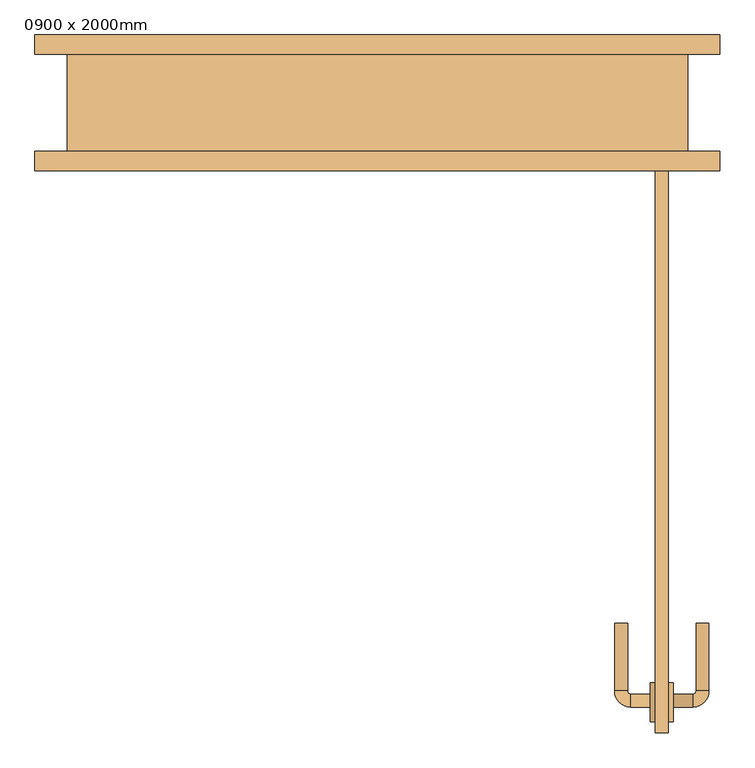
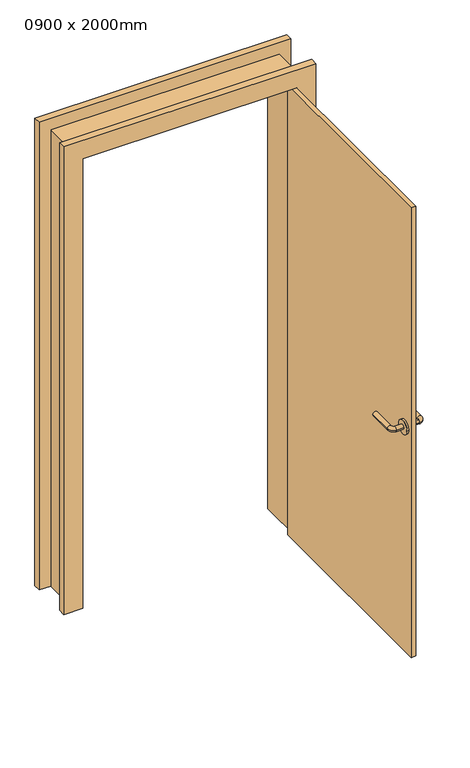
"""IFC4 building model written with IfcOpenShell, lengths in millimetres: door geometry, 0900 x 2000mm."""

from ifc_helpers import new_model, si_unit, point, frame, frame_2d, origin, origin_with_axes, place, context, project, spatial, polyline, circle_curve, ellipse_curve, trimmed, segment, composite_curve, outline, extrude, faceted_brep, source, transform, mapped, element, save
from ifc_brep_helpers import plane_surface, cylinder_surface, revolved_surface, advanced_brep


def door_0900_x_2000mm_c14baf9c(model_context):
    return source(origin(), model_context, "Body", "SolidModel", [
        advanced_brep(
        [(422.0, -935.0, 1000.0), (422.0, -915.0, 1000.0), (392.0, -935.0, 1000.0), (392.0, -915.0, 1000.0), (387.0, -910.0, 1000.0), (367.0, -910.0, 1000.0), (367.0, -805.0, 1000.0), (387.0, -805.0, 1000.0)],
        [
            (0, 1, circle_curve(frame((422.0, -925.0, 1000.0), z_axis=(1.0, 0.0, 0.0), x_axis=(0.0, 0.9999999999999988, 0.0)), 10.0)),
            (1, 0, circle_curve(frame((422.0, -925.0, 1000.0), z_axis=(1.0, 0.0, 0.0), x_axis=(0.0, 0.9999999999999988, 0.0)), 10.0)),
            (0, 2),
            (2, 3, circle_curve(frame((392.0, -925.0, 1000.0), z_axis=(1.0, 0.0, 0.0), x_axis=(0.0, 0.9999999999999988, 0.0)), 10.0)),
            (3, 1),
            (3, 2, circle_curve(frame((392.0, -925.0, 1000.0), z_axis=(1.0, 0.0, 0.0), x_axis=(0.0, 0.9999999999999988, 0.0)), 10.0)),
            (4, 3, circle_curve(frame((392.0, -910.0, 1000.0), z_axis=(0.0, 0.0, 1.0), x_axis=(0.0, -0.9999999999999988, 0.0)), 5.0)),
            (2, 5, circle_curve(frame((392.0, -910.0, 1000.0), z_axis=(0.0, 0.0, -1.0), x_axis=(0.0, -0.9999999999999988, 0.0)), 25.0)),
            (5, 4, circle_curve(frame((377.0, -910.0, 1000.0), z_axis=(0.0, -0.9999999999999988, 0.0), x_axis=(0.9999999999999988, 0.0, 0.0)), 10.0)),
            (4, 5, circle_curve(frame((377.0, -910.0, 1000.0), z_axis=(0.0, -0.9999999999999988, 0.0), x_axis=(0.9999999999999988, 0.0, 0.0)), 10.0)),
            (6, 7, circle_curve(frame((377.0, -805.0, 1000.0), z_axis=(0.0, 1.0, 0.0), x_axis=(0.9999999999999988, 0.0, 0.0)), 10.0)),
            (7, 6, circle_curve(frame((377.0, -805.0, 1000.0), z_axis=(0.0, 1.0, 0.0), x_axis=(0.9999999999999988, 0.0, 0.0)), 10.0)),
            (5, 6),
            (7, 4),
        ],
        [
            plane_surface(frame((422.0, -925.0, 1000.0), z_axis=(1.0, 0.0, 0.0), x_axis=(0.0, 0.0, 1.0))),
            cylinder_surface(frame((422.0, -925.0, 1000.0), z_axis=(0.9999999999999988, 0.0, 0.0), x_axis=(0.0, 0.9999999999999988, 0.0)), 10.0),
            revolved_surface(trimmed(ellipse_curve(frame((392.0, -925.0, 1000.0), z_axis=(0.9999999999999988, 0.0, 0.0), x_axis=(0.0, 0.9999999999999988, 0.0)), 10.0, 10.0), [point((392.0, -935.0, 1000.0))], [point((392.0, -915.0, 1000.0))], True, "CARTESIAN"), (392.0, -910.0, 1000.0), (0.0, 0.0, -1.0)),
            revolved_surface(trimmed(ellipse_curve(frame((392.0, -925.0, 1000.0), z_axis=(0.9999999999999988, 0.0, 0.0), x_axis=(0.0, 0.9999999999999988, 0.0)), 10.0, 10.0), [point((392.0, -915.0, 1000.0))], [point((392.0, -935.0, 1000.0))], True, "CARTESIAN"), (392.0, -910.0, 1000.0), (0.0, 0.0, -1.0)),
            plane_surface(frame((377.0, -805.0, 1000.0), z_axis=(0.0, 1.0, 0.0), x_axis=(0.0, 0.0, 1.0))),
            cylinder_surface(frame((377.0, -910.0, 1000.0), z_axis=(0.0, -0.9999999999999988, 0.0), x_axis=(0.9999999999999988, 0.0, 0.0)), 10.0),
        ],
        [
            (0, [[1, 2]]),
            (1, [[-1, 3, 4, 5]]),
            (1, [[-2, -5, 6, -3]]),
            (2, [[7, -4, 8, 9]]),
            (3, [[-8, -6, -7, 10]]),
            (4, [[11, 12]]),
            (5, [[-9, 13, -12, 14]]),
            (5, [[-10, -14, -11, -13]]),
        ],
    ),
        extrude(outline(composite_curve([segment(trimmed(circle_curve(frame_2d((-927.5, 1000.0)), 30.0), [point((-957.5, 1000.0))], [point((-897.5, 1000.0))], False, "CARTESIAN"), True, "CONTINUOUS"), segment(trimmed(circle_curve(frame_2d((-927.5, 1000.0)), 30.0), [point((-897.5, 1000.0))], [point((-957.5, 1000.0))], False, "CARTESIAN"), True, "CONTINUOUS")], self_intersect=False)), frame((422.0, 0.0, 0.0), z_axis=(1.0, 0.0, 0.0), x_axis=(0.0, 1.0, 0.0)), (0.0, 0.0, 1.0), 8.0),
        advanced_brep(
        [(458.0, -935.0, 1000.0), (458.0, -915.0, 1000.0), (488.0, -915.0, 1000.0), (488.0, -935.0, 1000.0), (493.0, -910.0, 1000.0), (513.0, -910.0, 1000.0), (513.0, -805.0, 1000.0), (493.0, -805.0, 1000.0)],
        [
            (0, 1, circle_curve(frame((458.0, -925.0, 1000.0), z_axis=(-1.0, 0.0, 0.0), x_axis=(0.0, 0.9999999999999992, 0.0)), 10.0)),
            (1, 0, circle_curve(frame((458.0, -925.0, 1000.0), z_axis=(-1.0, 0.0, 0.0), x_axis=(0.0, 0.9999999999999992, 0.0)), 10.0)),
            (1, 2),
            (2, 3, circle_curve(frame((488.0, -925.0, 1000.0), z_axis=(-1.0, 0.0, 0.0), x_axis=(0.0, 0.9999999999999992, 0.0)), 10.0)),
            (3, 0),
            (3, 2, circle_curve(frame((488.0, -925.0, 1000.0), z_axis=(-1.0, 0.0, 0.0), x_axis=(0.0, 0.9999999999999992, 0.0)), 10.0)),
            (4, 5, circle_curve(frame((503.0, -910.0, 1000.0), z_axis=(0.0, -0.9999999999999992, 0.0), x_axis=(-0.9999999999999992, 0.0, 0.0)), 10.0)),
            (5, 3, circle_curve(frame((488.0, -910.0, 1000.0), z_axis=(0.0, 0.0, -1.0), x_axis=(0.0, -0.9999999999999992, 0.0)), 25.0)),
            (2, 4, circle_curve(frame((488.0, -910.0, 1000.0), z_axis=(0.0, 0.0, 1.0), x_axis=(0.0, -0.9999999999999992, 0.0)), 5.0)),
            (5, 4, circle_curve(frame((503.0, -910.0, 1000.0), z_axis=(0.0, -0.9999999999999992, 0.0), x_axis=(-0.9999999999999992, 0.0, 0.0)), 10.0)),
            (6, 7, circle_curve(frame((503.0, -805.0, 1000.0), z_axis=(0.0, 1.0, 0.0), x_axis=(-0.9999999999999992, 0.0, 0.0)), 10.0)),
            (7, 6, circle_curve(frame((503.0, -805.0, 1000.0), z_axis=(0.0, 1.0, 0.0), x_axis=(-0.9999999999999992, 0.0, 0.0)), 10.0)),
            (4, 7),
            (6, 5),
        ],
        [
            plane_surface(frame((458.0, -925.0, 1000.0), z_axis=(-1.0, 0.0, 0.0), x_axis=(0.0, 0.0, 1.0))),
            cylinder_surface(frame((458.0, -925.0, 1000.0), z_axis=(-0.9999999999999992, 0.0, 0.0), x_axis=(0.0, 0.9999999999999992, 0.0)), 10.0),
            revolved_surface(trimmed(ellipse_curve(frame((488.0, -925.0, 1000.0), z_axis=(0.9999999999999992, 0.0, 0.0), x_axis=(0.0, 0.9999999999999992, 0.0)), 10.0, 10.0), [point((488.0, -935.0, 1000.0))], [point((488.0, -915.0, 1000.0))], True, "CARTESIAN"), (488.0, -910.0, 1000.0), (0.0, 0.0, -1.0)),
            revolved_surface(trimmed(ellipse_curve(frame((488.0, -925.0, 1000.0), z_axis=(0.9999999999999992, 0.0, 0.0), x_axis=(0.0, 0.9999999999999992, 0.0)), 10.0, 10.0), [point((488.0, -915.0, 1000.0))], [point((488.0, -935.0, 1000.0))], True, "CARTESIAN"), (488.0, -910.0, 1000.0), (0.0, 0.0, -1.0)),
            plane_surface(frame((503.0, -805.0, 1000.0), z_axis=(0.0, 1.0, 0.0), x_axis=(0.0, 0.0, 1.0))),
            cylinder_surface(frame((503.0, -910.0, 1000.0), z_axis=(0.0, -0.9999999999999992, 0.0), x_axis=(-0.9999999999999992, 0.0, 0.0)), 10.0),
        ],
        [
            (0, [[1, 2]]),
            (1, [[3, 4, 5, -2]]),
            (1, [[-5, 6, -3, -1]]),
            (2, [[7, 8, -4, 9]]),
            (3, [[10, -9, -6, -8]]),
            (4, [[11, 12]]),
            (5, [[13, -11, 14, -7]]),
            (5, [[-14, -12, -13, -10]]),
        ],
    ),
        extrude(outline(composite_curve([segment(trimmed(circle_curve(frame_2d((-927.5, 1000.0)), 30.0), [point((-957.5, 1000.0))], [point((-897.5, 1000.0))], False, "CARTESIAN"), True, "CONTINUOUS"), segment(trimmed(circle_curve(frame_2d((-927.5, 1000.0)), 30.0), [point((-897.5, 1000.0))], [point((-957.5, 1000.0))], False, "CARTESIAN"), True, "CONTINUOUS")], self_intersect=False)), frame((450.0, 0.0, 0.0), z_axis=(1.0, 0.0, 0.0), x_axis=(0.0, 1.0, 0.0)), (0.0, 0.0, 1.0), 8.0),
        faceted_brep([(-480.0, -75.0, 0.0), (-480.0, 75.0, 0.0), (-530.0, 75.0, 0.0), (-530.0, 105.0, 0.0), (-450.0, 105.0, 0.0), (-450.0, -105.0, 0.0), (-530.0, -105.0, 0.0), (-530.0, -75.0, 0.0), (-530.0, -75.0, 2080.0), (530.0, -75.0, 2080.0), (530.0, -75.0, 0.0), (480.0, -75.0, 0.0), (480.0, -75.0, 2030.0), (-480.0, -75.0, 2030.0), (-530.0, -105.0, 2080.0), (-450.0, -105.0, 2000.0), (450.0, -105.0, 2000.0), (450.0, -105.0, 0.0), (530.0, -105.0, 0.0), (530.0, -105.0, 2080.0), (-450.0, 105.0, 2000.0), (-530.0, 105.0, 2080.0), (530.0, 105.0, 2080.0), (530.0, 105.0, 0.0), (450.0, 105.0, 0.0), (450.0, 105.0, 2000.0), (-530.0, 75.0, 2080.0), (-480.0, 75.0, 2030.0), (480.0, 75.0, 2030.0), (480.0, 75.0, 0.0), (530.0, 75.0, 0.0), (530.0, 75.0, 2080.0)], [[[0, 1, 2, 3, 4, 5, 6, 7]], [[7, 8, 9, 10, 11, 12, 13, 0]], [[6, 14, 8, 7]], [[5, 15, 16, 17, 18, 19, 14, 6]], [[4, 20, 15, 5]], [[3, 21, 22, 23, 24, 25, 20, 4]], [[2, 26, 21, 3]], [[1, 27, 28, 29, 30, 31, 26, 2]], [[0, 13, 27, 1]], [[12, 11, 29, 28]], [[11, 10, 18, 17, 24, 23, 30, 29]], [[19, 18, 10, 9]], [[25, 24, 17, 16]], [[31, 30, 23, 22]], [[14, 19, 9, 8]], [[20, 25, 16, 15]], [[26, 31, 22, 21]], [[13, 12, 28, 27]]]),
        extrude(outline(polyline([(450.0, -975.0), (430.0, -975.0), (430.0, -75.0), (450.0, -75.0), (450.0, -975.0)])), origin_with_axes(), (0.0, 0.0, 1.0), 2000.0),
    ])


if __name__ == "__main__":
    model = new_model("IFC4")
    model_context = context("Model", 3, world=origin())
    ifc_project = project(units=[si_unit("LENGTHUNIT", "METRE", prefix="MILLI")], contexts=[model_context])
    site = spatial("IfcSite", under=ifc_project)
    building = spatial("IfcBuilding", under=site)
    placement = place(None, origin())
    door_0900_x_2000mm_shape = door_0900_x_2000mm_c14baf9c(model_context)
    element("IfcDoor", 1, ObjectType="0900 x 2000mm", at=placement, inside=building, context=model_context, shape_type="MappedRepresentation", body=[
        mapped(door_0900_x_2000mm_shape, transform((0.0, 0.0, 0.0), x_axis=(1.0, 0.0, 0.0), y_axis=(0.0, 1.0, 0.0), z_axis=(0.0, 0.0, 1.0))),
    ])
    save(model, "model.ifc")
